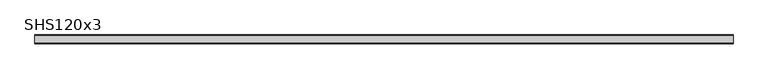
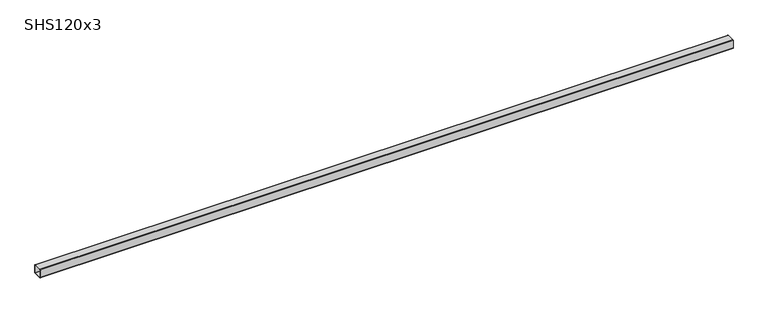
"""IFC4 building model written with IfcOpenShell, lengths in millimetres: beam geometry, SHS120x3."""

from ifc_helpers import new_model, si_unit, point, frame, frame_2d, origin, place, context, project, spatial, polyline, circle_curve, trimmed, segment, composite_curve, outline, extrude, source, transform, mapped, element, save


def shs120x3_80b5165c(model_context):
    return source(origin(), model_context, "Body", "SweptSolid", [
        extrude(outline(composite_curve([segment(polyline([(60.0, 54.0), (60.0, -54.0)]), True, "CONTINUOUS"), segment(trimmed(circle_curve(frame_2d((54.0, -54.0)), 6.0), [point((60.0, -54.0))], [point((54.0, -60.0))], False, "CARTESIAN"), True, "CONTINUOUS"), segment(polyline([(54.0, -60.0), (-54.0, -60.0)]), True, "CONTINUOUS"), segment(trimmed(circle_curve(frame_2d((-54.0, -54.0)), 6.0), [point((-54.0, -60.0))], [point((-60.0, -54.0))], False, "CARTESIAN"), True, "CONTINUOUS"), segment(polyline([(-60.0, -54.0), (-60.0, 54.0)]), True, "CONTINUOUS"), segment(trimmed(circle_curve(frame_2d((-54.0, 54.0)), 6.0), [point((-60.0, 54.0))], [point((-54.0, 60.0))], False, "CARTESIAN"), True, "CONTINUOUS"), segment(polyline([(-54.0, 60.0), (54.0, 60.0)]), True, "CONTINUOUS"), segment(trimmed(circle_curve(frame_2d((54.0, 54.0)), 6.0), [point((54.0, 60.0))], [point((60.0, 54.0))], False, "CARTESIAN"), True, "CONTINUOUS")], self_intersect=False), holes=[composite_curve([segment(trimmed(circle_curve(frame_2d((-54.0, 54.0)), 3.0), [point((-54.0, 57.0))], [point((-57.0, 54.0))], True, "CARTESIAN"), True, "CONTINUOUS"), segment(polyline([(-57.0, 54.0), (-57.0, -54.0)]), True, "CONTINUOUS"), segment(trimmed(circle_curve(frame_2d((-54.0, -54.0)), 3.0), [point((-57.0, -54.0))], [point((-54.0, -57.0))], True, "CARTESIAN"), True, "CONTINUOUS"), segment(polyline([(-54.0, -57.0), (54.0, -57.0)]), True, "CONTINUOUS"), segment(trimmed(circle_curve(frame_2d((54.0, -54.0)), 3.0), [point((54.0, -57.0))], [point((57.0, -54.0))], True, "CARTESIAN"), True, "CONTINUOUS"), segment(polyline([(57.0, -54.0), (57.0, 54.0)]), True, "CONTINUOUS"), segment(trimmed(circle_curve(frame_2d((54.0, 54.0)), 3.0), [point((57.0, 54.0))], [point((54.0, 57.0))], True, "CARTESIAN"), True, "CONTINUOUS"), segment(polyline([(54.0, 57.0), (-54.0, 57.0)]), True, "CONTINUOUS")], self_intersect=False)]), frame((-4662.0, 0.0, 0.0), z_axis=(1.0, 0.0, 0.0), x_axis=(0.0, 1.0, 0.0)), (0.0, 0.0, 1.0), 9400.0),
    ])


if __name__ == "__main__":
    model = new_model("IFC4")
    model_context = context("Model", 3, world=origin())
    ifc_project = project(units=[si_unit("LENGTHUNIT", "METRE", prefix="MILLI")], contexts=[model_context])
    site = spatial("IfcSite", under=ifc_project)
    building = spatial("IfcBuilding", under=site)
    placement = place(None, origin())
    shs120x3_shape = shs120x3_80b5165c(model_context)
    element("IfcBeam", 1, ObjectType="SHS120x3", at=placement, inside=building, context=model_context, shape_type="MappedRepresentation", body=[
        mapped(shs120x3_shape, transform((0.0, 0.0, 0.0), x_axis=(1.0, 0.0, 0.0), y_axis=(0.0, 1.0, 0.0), z_axis=(0.0, 0.0, 1.0))),
    ])
    save(model, "model.ifc")
